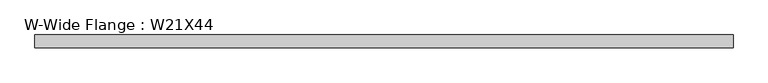
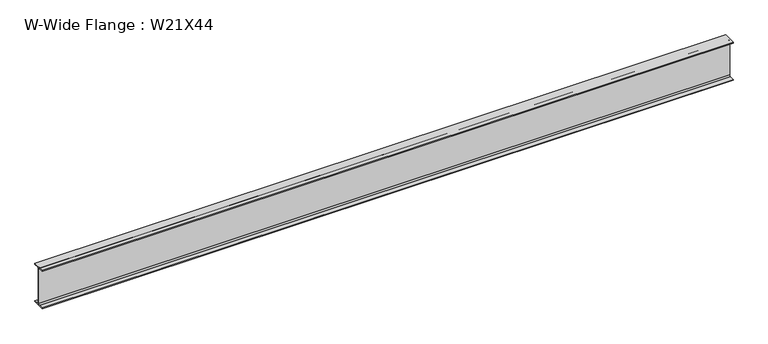
"""IFC4 building model written with IfcOpenShell, lengths in millimetres: beam geometry, W-Wide Flange : W21X44."""

from ifc_helpers import new_model, si_unit, point, frame, frame_2d, origin, place, context, project, spatial, polyline, circle_curve, trimmed, segment, composite_curve, outline, extrude, source, transform, mapped, element, save


def w_wide_flange_w21x44_08c0996a(model_context):
    return source(origin(), model_context, "Body", "SweptSolid", [
        extrude(outline(composite_curve([segment(polyline([(82.55, -251.4699219), (82.55, -262.8800781), (-82.55, -262.8800781), (-82.55, -251.4699219), (-21.6296875, -251.4699219)]), True, "CONTINUOUS"), segment(trimmed(circle_curve(frame_2d((-21.6296875, -234.3050781)), 17.1648437), [point((-21.6296875, -251.4699219))], [point((-4.4648438, -234.3050781))], True, "CARTESIAN"), True, "CONTINUOUS"), segment(polyline([(-4.4648438, -234.3050781), (-4.4648438, 234.3050781)]), True, "CONTINUOUS"), segment(trimmed(circle_curve(frame_2d((-21.6296875, 234.3050781)), 17.1648437), [point((-4.4648438, 234.3050781))], [point((-21.6296875, 251.4699219))], True, "CARTESIAN"), True, "CONTINUOUS"), segment(polyline([(-21.6296875, 251.4699219), (-82.55, 251.4699219), (-82.55, 262.8800781), (82.55, 262.8800781), (82.55, 251.4699219), (21.6296875, 251.4699219)]), True, "CONTINUOUS"), segment(trimmed(circle_curve(frame_2d((21.6296875, 234.3050781)), 17.1648437), [point((21.6296875, 251.4699219))], [point((4.4648437, 234.3050781))], True, "CARTESIAN"), True, "CONTINUOUS"), segment(polyline([(4.4648437, 234.3050781), (4.4648437, -234.3050781)]), True, "CONTINUOUS"), segment(trimmed(circle_curve(frame_2d((21.6296875, -234.3050781)), 17.1648437), [point((4.4648437, -234.3050781))], [point((21.6296875, -251.4699219))], True, "CARTESIAN"), True, "CONTINUOUS"), segment(polyline([(21.6296875, -251.4699219), (82.55, -251.4699219)]), True, "CONTINUOUS")], self_intersect=False)), frame((-4507.5078125, 0.0, 0.0), z_axis=(1.0, 0.0, 0.0), x_axis=(0.0, 1.0, 0.0)), (0.0, 0.0, 1.0), 8990.6078125),
    ])


if __name__ == "__main__":
    model = new_model("IFC4")
    model_context = context("Model", 3, world=origin())
    ifc_project = project(units=[si_unit("LENGTHUNIT", "METRE", prefix="MILLI")], contexts=[model_context])
    site = spatial("IfcSite", under=ifc_project)
    building = spatial("IfcBuilding", under=site)
    placement = place(None, origin())
    w_wide_flange_w21x44_shape = w_wide_flange_w21x44_08c0996a(model_context)
    element("IfcBeam", 1, ObjectType="W-Wide Flange : W21X44", at=placement, inside=building, context=model_context, shape_type="MappedRepresentation", body=[
        mapped(w_wide_flange_w21x44_shape, transform((0.0, 0.0, 0.0), x_axis=(1.0, 0.0, 0.0), y_axis=(0.0, 1.0, 0.0), z_axis=(0.0, 0.0, 1.0))),
    ])
    save(model, "model.ifc")
